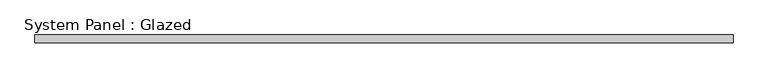
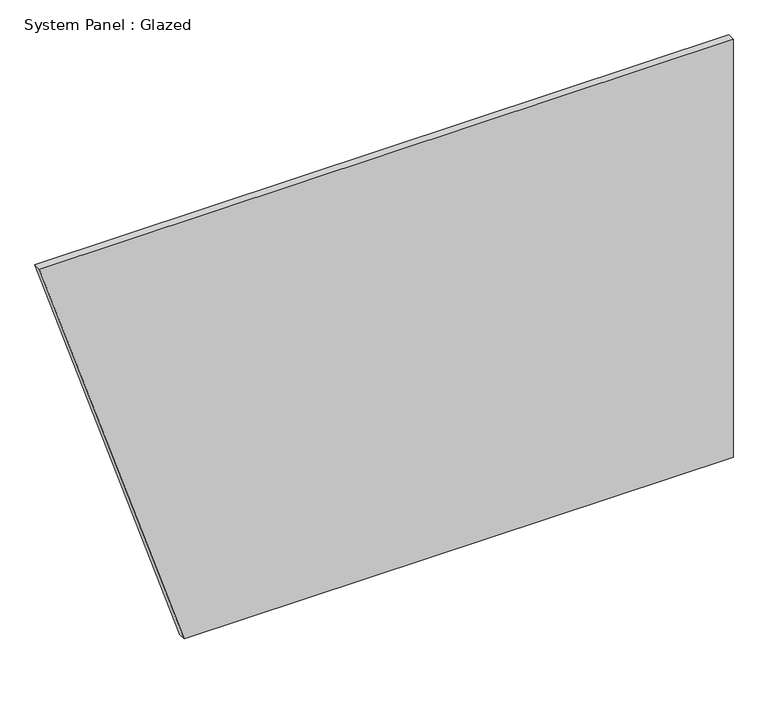
"""IFC4 building model written with IfcOpenShell, lengths in millimetres: plate geometry, System Panel : Glazed."""

from ifc_helpers import new_model, si_unit, frame, origin, place, context, project, spatial, polyline, outline, extrude, source, transform, mapped, element, save


def system_panel_glazed_ff693715(model_context):
    return source(origin(), model_context, "Body", "SweptSolid", [
        extrude(outline(polyline([(0.0, -667.9535182), (0.0, 1146.7880896), (1460.5, 1146.7880896), (1460.5, -1146.7880896), (0.0, -667.9535182)])), frame((0.0, -44.45, 0.0), z_axis=(0.0, 1.0, 0.0), x_axis=(0.0, 0.0, 1.0)), (0.0, 0.0, 1.0), 25.4),
    ])


if __name__ == "__main__":
    model = new_model("IFC4")
    model_context = context("Model", 3, world=origin())
    ifc_project = project(units=[si_unit("LENGTHUNIT", "METRE", prefix="MILLI")], contexts=[model_context])
    site = spatial("IfcSite", under=ifc_project)
    building = spatial("IfcBuilding", under=site)
    placement = place(None, origin())
    system_panel_glazed_shape = system_panel_glazed_ff693715(model_context)
    element("IfcPlate", 1, ObjectType="System Panel : Glazed", at=placement, inside=building, context=model_context, shape_type="MappedRepresentation", body=[
        mapped(system_panel_glazed_shape, transform((0.0, 0.0, 0.0), x_axis=(1.0, 0.0, 0.0), y_axis=(0.0, 1.0, 0.0), z_axis=(0.0, 0.0, 1.0))),
    ])
    save(model, "model.ifc")
